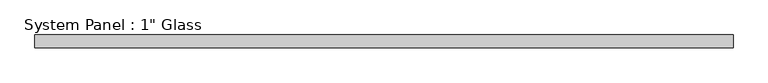
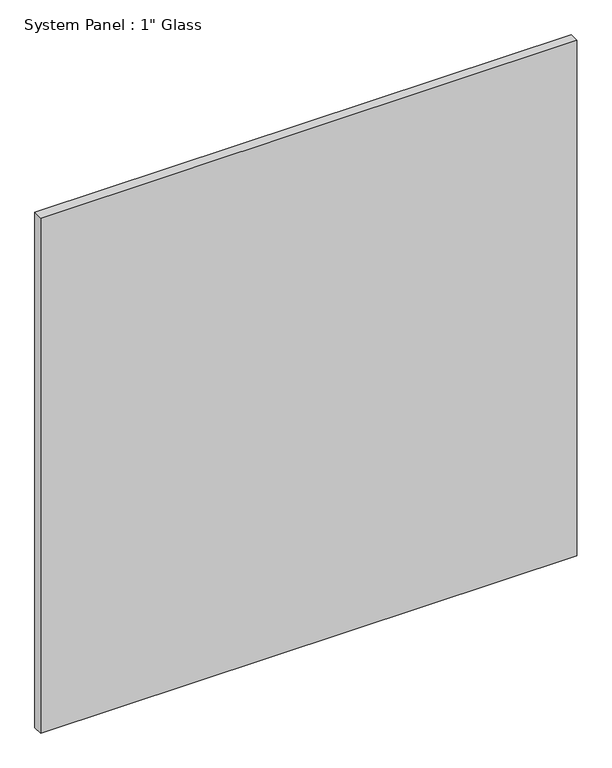
"""IFC4 building model written with IfcOpenShell, lengths in millimetres: plate geometry."""

import ifcopenshell
import ifcopenshell.guid

model = None  # the IFC model being written
_history = None  # IfcOwnerHistory: only IFC2X3 demands one
_inside = {}  # id of a spatial element -> (the spatial element, [elements in it])
_under = {}  # id of a project, library or spatial element -> (it, [spatial elements below it])
_declared = {}  # id of a project -> (the project, [libraries it declares])
_typed = {}  # id of a type object -> (the type object, [elements of that type])
_made_of = {}  # id of a material, layer set ... -> (it, [elements and type objects made of it])


def new_model(schema):
    """Start an empty IFC model of exactly this schema.

    Asked for "IFC4X3", IfcOpenShell would pick the latest addendum, in which some entities
    have other attributes; the version numbers below select the first issue.
    IFC2X3 requires an IfcOwnerHistory on every rooted entity: one is made here for all.
    """
    global model, _history
    if schema == "IFC4X3":
        model = ifcopenshell.file(schema_version=(4, 3, 0, 0))
    else:
        model = ifcopenshell.file(schema=schema)
    _inside.clear()
    _under.clear()
    _declared.clear()
    _typed.clear()
    _made_of.clear()
    _history = None
    if model.schema == "IFC2X3":
        org = make("IfcOrganization", Name="unknown")
        user = make(
            "IfcPersonAndOrganization",
            ThePerson=make("IfcPerson", FamilyName="unknown"),
            TheOrganization=org,
        )
        app = make(
            "IfcApplication",
            ApplicationDeveloper=org,
            Version="unknown",
            ApplicationFullName="unknown",
            ApplicationIdentifier="unknown",
        )
        _history = make(
            "IfcOwnerHistory",
            OwningUser=user,
            OwningApplication=app,
            ChangeAction="ADDED",
            CreationDate=0,
        )
    return model


def make(cls, **values):
    """One entity of the class cls with the attributes given. An attribute that is None is left unset."""
    return model.create_entity(
        cls, **{name: value for name, value in values.items() if value is not None}
    )


def rooted(cls, **values):
    """An entity with a GlobalId (a new one), such as an element, a storey or a relation."""
    return make(cls, GlobalId=ifcopenshell.guid.new(), OwnerHistory=_history, **values)


def si_unit(unit_type, name, prefix=None):
    """IfcSIUnit, for example si_unit("LENGTHUNIT", "METRE", prefix="MILLI")."""
    return make("IfcSIUnit", UnitType=unit_type, Prefix=prefix, Name=name)


def assignment(units):
    """IfcUnitAssignment: the units of a project."""
    return None if units is None else make("IfcUnitAssignment", Units=units)


def point(xyz):
    """IfcCartesianPoint."""
    return None if xyz is None else make("IfcCartesianPoint", Coordinates=xyz)


def direction(xyz):
    """IfcDirection."""
    return None if xyz is None else make("IfcDirection", DirectionRatios=xyz)


def frame(location, z_axis=None, x_axis=None):
    """IfcAxis2Placement3D, a coordinate frame: its origin and axes. An axis left out is left unset."""
    return make(
        "IfcAxis2Placement3D",
        Location=point(location),
        Axis=direction(z_axis),
        RefDirection=direction(x_axis),
    )


def origin():
    """The frame at (0, 0, 0) with its axes left unset."""
    return frame((0.0, 0.0, 0.0))


def origin_with_axes():
    """The frame at (0, 0, 0) with the z axis (0, 0, 1) and the x axis (1, 0, 0) written out."""
    return frame((0.0, 0.0, 0.0), z_axis=(0.0, 0.0, 1.0), x_axis=(1.0, 0.0, 0.0))


def place(relative_to, where):
    """IfcLocalPlacement: puts the frame where relative to a parent placement (None: the world)."""
    return make(
        "IfcLocalPlacement", PlacementRelTo=relative_to, RelativePlacement=where
    )


def context(
    kind, dimensions, precision=None, world=None, true_north=None, identifier=None
):
    """IfcGeometricRepresentationContext, for example the 3D "Model" context."""
    return make(
        "IfcGeometricRepresentationContext",
        ContextIdentifier=identifier,
        ContextType=kind,
        CoordinateSpaceDimension=dimensions,
        Precision=precision,
        WorldCoordinateSystem=world,
        TrueNorth=true_north,
    )


def project(units=None, contexts=None):
    """IfcProject with its units and contexts."""
    return rooted(
        "IfcProject",
        Name="project",
        RepresentationContexts=contexts,
        UnitsInContext=assignment(units),
    )


def spatial(cls, under=None, at=None, **own):
    """A site, building, storey or space (cls), placed at a placement, below another one or the project."""
    s = rooted(cls, ObjectPlacement=at, **own)
    if under is not None:
        _under.setdefault(under.id(), (under, []))[1].append(s)
    return s


def polyline(points):
    """IfcPolyline through the points."""
    return make("IfcPolyline", Points=[point(p) for p in points])


def outline(outer, holes=None, kind="AREA"):
    """IfcArbitraryClosedProfileDef: a profile drawn as a closed curve; with holes, ...WithVoids."""
    if holes is None:
        return make("IfcArbitraryClosedProfileDef", ProfileType=kind, OuterCurve=outer)
    return make(
        "IfcArbitraryProfileDefWithVoids",
        ProfileType=kind,
        OuterCurve=outer,
        InnerCurves=holes,
    )


def extrude(swept, where, along, depth):
    """IfcExtrudedAreaSolid: the profile swept, set in the frame where, extruded along a direction by depth."""
    return make(
        "IfcExtrudedAreaSolid",
        SweptArea=swept,
        Position=where,
        ExtrudedDirection=direction(along),
        Depth=depth,
    )


def shape(context_of_items, identifier, shape_type, items):
    """IfcShapeRepresentation: the items that make up one representation, for example the "Body"."""
    return make(
        "IfcShapeRepresentation",
        ContextOfItems=context_of_items,
        RepresentationIdentifier=identifier,
        RepresentationType=shape_type,
        Items=items,
    )


def source(mapping_origin, context_of_items, identifier, shape_type, items):
    """IfcRepresentationMap: a shape defined once, which mapped items show again and again."""
    return make(
        "IfcRepresentationMap",
        MappingOrigin=mapping_origin,
        MappedRepresentation=shape(context_of_items, identifier, shape_type, items),
    )


def transform(
    local_origin,
    x_axis=None,
    y_axis=None,
    z_axis=None,
    scale=None,
    scale2=None,
    scale3=None,
    uniform=True,
):
    """IfcCartesianTransformationOperator3D, or its non-uniform kind. x_axis, y_axis, z_axis: its Axis1, 2, 3."""
    if uniform:
        return make(
            "IfcCartesianTransformationOperator3D",
            Axis1=direction(x_axis),
            Axis2=direction(y_axis),
            LocalOrigin=point(local_origin),
            Scale=scale,
            Axis3=direction(z_axis),
        )
    return make(
        "IfcCartesianTransformationOperator3DnonUniform",
        Axis1=direction(x_axis),
        Axis2=direction(y_axis),
        LocalOrigin=point(local_origin),
        Scale=scale,
        Axis3=direction(z_axis),
        Scale2=scale2,
        Scale3=scale3,
    )


def mapped(mapping_source, mapping_target):
    """IfcMappedItem: shows the shape of a source again, moved by a transform."""
    return make(
        "IfcMappedItem", MappingSource=mapping_source, MappingTarget=mapping_target
    )


def made_of(thing, what):
    """Note that an element or type object is made of a material, layer set ...; save() writes the relation."""
    if what is not None:
        _made_of.setdefault(what.id(), (what, []))[1].append(thing)
    return thing


def element(
    cls,
    number,
    at=None,
    inside=None,
    cuts=None,
    type_object=None,
    material=None,
    context=None,
    identifier="Body",
    shape_type=None,
    held_by="IfcProductDefinitionShape",
    body=None,
    shapes=None,
    **own,
):
    """One element of the class cls, such as IfcWall. Its Tag is "e" and its number.

    at: its placement. inside: the storey or other place that contains it. cuts: it is an
    opening in that element (IfcRelVoidsElement). A single representation is given by context,
    identifier, shape_type and body (its items); several are given by shapes. held_by: the class
    of the entity that holds the representations. save() writes the other relations.
    """
    e = rooted(cls, Tag="e%d" % number, ObjectPlacement=at, **own)
    if body is not None:
        shapes = [shape(context, identifier, shape_type, body)]
    if shapes is not None:
        e.Representation = make(held_by, Representations=shapes)
    if inside is not None:
        _inside.setdefault(inside.id(), (inside, []))[1].append(e)
    if cuts is not None:
        rooted(
            "IfcRelVoidsElement", RelatingBuildingElement=cuts, RelatedOpeningElement=e
        )
    if type_object is not None:
        _typed.setdefault(type_object.id(), (type_object, []))[1].append(e)
    return made_of(e, material)


def aggregate(whole, parts):
    """IfcRelAggregates: a whole, such as a stair, and the parts it consists of."""
    return rooted("IfcRelAggregates", RelatingObject=whole, RelatedObjects=parts)


def save(model, path):
    """Write the relations noted so far, then the file.

    IfcRelAggregates (storeys below a building ...), IfcRelContainedInSpatialStructure (elements
    in a storey), IfcRelDefinesByType, IfcRelAssociatesMaterial and IfcRelDeclares: one each for
    every whole, place, type object, material and project.
    """
    for whole, parts in _under.values():
        aggregate(whole, parts)
    for where, things in _inside.values():
        rooted(
            "IfcRelContainedInSpatialStructure",
            RelatedElements=things,
            RelatingStructure=where,
        )
    for kind, things in _typed.values():
        rooted("IfcRelDefinesByType", RelatedObjects=things, RelatingType=kind)
    for what, things in _made_of.values():
        rooted("IfcRelAssociatesMaterial", RelatedObjects=things, RelatingMaterial=what)
    for by, libraries in _declared.values():
        rooted("IfcRelDeclares", RelatingContext=by, RelatedDefinitions=libraries)
    model.write(path)


def plate_bc45bdad(model_context):
    return source(origin(), model_context, "Body", "SweptSolid", [
        extrude(outline(polyline([(701.6767704, -12.7), (-701.6767704, -12.7), (-701.6767704, 12.7), (701.6767704, 12.7), (701.6767704, -12.7)])), origin_with_axes(), (0.0, 0.0, 1.0), 1424.9417704),
    ])


if __name__ == "__main__":
    model = new_model("IFC4")
    model_context = context("Model", 3, world=origin())
    ifc_project = project(units=[si_unit("LENGTHUNIT", "METRE", prefix="MILLI")], contexts=[model_context])
    site = spatial("IfcSite", under=ifc_project)
    building = spatial("IfcBuilding", under=site)
    placement = place(None, origin())
    plate_shape = plate_bc45bdad(model_context)
    element("IfcPlate", 1, ObjectType="System Panel : 1\" Glass", at=placement, inside=building, context=model_context, shape_type="MappedRepresentation", body=[
        mapped(plate_shape, transform((0.0, 0.0, 0.0), x_axis=(1.0, 0.0, 0.0), y_axis=(0.0, 1.0, 0.0), z_axis=(0.0, 0.0, 1.0))),
    ])
    save(model, "model.ifc")
